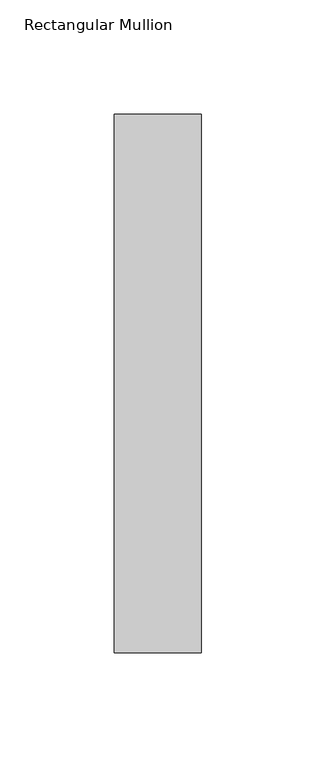
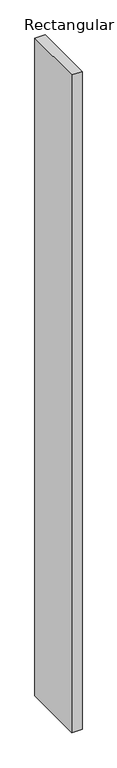
"""IFC4 building model written with IfcOpenShell, lengths in millimetres: member geometry, Rectangular Mullion."""

import ifcopenshell
import ifcopenshell.guid

model = None  # the IFC model being written
_history = None  # IfcOwnerHistory: only IFC2X3 demands one
_inside = {}  # id of a spatial element -> (the spatial element, [elements in it])
_under = {}  # id of a project, library or spatial element -> (it, [spatial elements below it])
_declared = {}  # id of a project -> (the project, [libraries it declares])
_typed = {}  # id of a type object -> (the type object, [elements of that type])
_made_of = {}  # id of a material, layer set ... -> (it, [elements and type objects made of it])


def new_model(schema):
    """Start an empty IFC model of exactly this schema.

    Asked for "IFC4X3", IfcOpenShell would pick the latest addendum, in which some entities
    have other attributes; the version numbers below select the first issue.
    IFC2X3 requires an IfcOwnerHistory on every rooted entity: one is made here for all.
    """
    global model, _history
    if schema == "IFC4X3":
        model = ifcopenshell.file(schema_version=(4, 3, 0, 0))
    else:
        model = ifcopenshell.file(schema=schema)
    _inside.clear()
    _under.clear()
    _declared.clear()
    _typed.clear()
    _made_of.clear()
    _history = None
    if model.schema == "IFC2X3":
        org = make("IfcOrganization", Name="unknown")
        user = make(
            "IfcPersonAndOrganization",
            ThePerson=make("IfcPerson", FamilyName="unknown"),
            TheOrganization=org,
        )
        app = make(
            "IfcApplication",
            ApplicationDeveloper=org,
            Version="unknown",
            ApplicationFullName="unknown",
            ApplicationIdentifier="unknown",
        )
        _history = make(
            "IfcOwnerHistory",
            OwningUser=user,
            OwningApplication=app,
            ChangeAction="ADDED",
            CreationDate=0,
        )
    return model


def make(cls, **values):
    """One entity of the class cls with the attributes given. An attribute that is None is left unset."""
    return model.create_entity(
        cls, **{name: value for name, value in values.items() if value is not None}
    )


def rooted(cls, **values):
    """An entity with a GlobalId (a new one), such as an element, a storey or a relation."""
    return make(cls, GlobalId=ifcopenshell.guid.new(), OwnerHistory=_history, **values)


def si_unit(unit_type, name, prefix=None):
    """IfcSIUnit, for example si_unit("LENGTHUNIT", "METRE", prefix="MILLI")."""
    return make("IfcSIUnit", UnitType=unit_type, Prefix=prefix, Name=name)


def assignment(units):
    """IfcUnitAssignment: the units of a project."""
    return None if units is None else make("IfcUnitAssignment", Units=units)


def point(xyz):
    """IfcCartesianPoint."""
    return None if xyz is None else make("IfcCartesianPoint", Coordinates=xyz)


def direction(xyz):
    """IfcDirection."""
    return None if xyz is None else make("IfcDirection", DirectionRatios=xyz)


def frame(location, z_axis=None, x_axis=None):
    """IfcAxis2Placement3D, a coordinate frame: its origin and axes. An axis left out is left unset."""
    return make(
        "IfcAxis2Placement3D",
        Location=point(location),
        Axis=direction(z_axis),
        RefDirection=direction(x_axis),
    )


def origin():
    """The frame at (0, 0, 0) with its axes left unset."""
    return frame((0.0, 0.0, 0.0))


def place(relative_to, where):
    """IfcLocalPlacement: puts the frame where relative to a parent placement (None: the world)."""
    return make(
        "IfcLocalPlacement", PlacementRelTo=relative_to, RelativePlacement=where
    )


def context(
    kind, dimensions, precision=None, world=None, true_north=None, identifier=None
):
    """IfcGeometricRepresentationContext, for example the 3D "Model" context."""
    return make(
        "IfcGeometricRepresentationContext",
        ContextIdentifier=identifier,
        ContextType=kind,
        CoordinateSpaceDimension=dimensions,
        Precision=precision,
        WorldCoordinateSystem=world,
        TrueNorth=true_north,
    )


def project(units=None, contexts=None):
    """IfcProject with its units and contexts."""
    return rooted(
        "IfcProject",
        Name="project",
        RepresentationContexts=contexts,
        UnitsInContext=assignment(units),
    )


def spatial(cls, under=None, at=None, **own):
    """A site, building, storey or space (cls), placed at a placement, below another one or the project."""
    s = rooted(cls, ObjectPlacement=at, **own)
    if under is not None:
        _under.setdefault(under.id(), (under, []))[1].append(s)
    return s


def polyline(points):
    """IfcPolyline through the points."""
    return make("IfcPolyline", Points=[point(p) for p in points])


def outline(outer, holes=None, kind="AREA"):
    """IfcArbitraryClosedProfileDef: a profile drawn as a closed curve; with holes, ...WithVoids."""
    if holes is None:
        return make("IfcArbitraryClosedProfileDef", ProfileType=kind, OuterCurve=outer)
    return make(
        "IfcArbitraryProfileDefWithVoids",
        ProfileType=kind,
        OuterCurve=outer,
        InnerCurves=holes,
    )


def extrude(swept, where, along, depth):
    """IfcExtrudedAreaSolid: the profile swept, set in the frame where, extruded along a direction by depth."""
    return make(
        "IfcExtrudedAreaSolid",
        SweptArea=swept,
        Position=where,
        ExtrudedDirection=direction(along),
        Depth=depth,
    )


def shape(context_of_items, identifier, shape_type, items):
    """IfcShapeRepresentation: the items that make up one representation, for example the "Body"."""
    return make(
        "IfcShapeRepresentation",
        ContextOfItems=context_of_items,
        RepresentationIdentifier=identifier,
        RepresentationType=shape_type,
        Items=items,
    )


def source(mapping_origin, context_of_items, identifier, shape_type, items):
    """IfcRepresentationMap: a shape defined once, which mapped items show again and again."""
    return make(
        "IfcRepresentationMap",
        MappingOrigin=mapping_origin,
        MappedRepresentation=shape(context_of_items, identifier, shape_type, items),
    )


def transform(
    local_origin,
    x_axis=None,
    y_axis=None,
    z_axis=None,
    scale=None,
    scale2=None,
    scale3=None,
    uniform=True,
):
    """IfcCartesianTransformationOperator3D, or its non-uniform kind. x_axis, y_axis, z_axis: its Axis1, 2, 3."""
    if uniform:
        return make(
            "IfcCartesianTransformationOperator3D",
            Axis1=direction(x_axis),
            Axis2=direction(y_axis),
            LocalOrigin=point(local_origin),
            Scale=scale,
            Axis3=direction(z_axis),
        )
    return make(
        "IfcCartesianTransformationOperator3DnonUniform",
        Axis1=direction(x_axis),
        Axis2=direction(y_axis),
        LocalOrigin=point(local_origin),
        Scale=scale,
        Axis3=direction(z_axis),
        Scale2=scale2,
        Scale3=scale3,
    )


def mapped(mapping_source, mapping_target):
    """IfcMappedItem: shows the shape of a source again, moved by a transform."""
    return make(
        "IfcMappedItem", MappingSource=mapping_source, MappingTarget=mapping_target
    )


def made_of(thing, what):
    """Note that an element or type object is made of a material, layer set ...; save() writes the relation."""
    if what is not None:
        _made_of.setdefault(what.id(), (what, []))[1].append(thing)
    return thing


def element(
    cls,
    number,
    at=None,
    inside=None,
    cuts=None,
    type_object=None,
    material=None,
    context=None,
    identifier="Body",
    shape_type=None,
    held_by="IfcProductDefinitionShape",
    body=None,
    shapes=None,
    **own,
):
    """One element of the class cls, such as IfcWall. Its Tag is "e" and its number.

    at: its placement. inside: the storey or other place that contains it. cuts: it is an
    opening in that element (IfcRelVoidsElement). A single representation is given by context,
    identifier, shape_type and body (its items); several are given by shapes. held_by: the class
    of the entity that holds the representations. save() writes the other relations.
    """
    e = rooted(cls, Tag="e%d" % number, ObjectPlacement=at, **own)
    if body is not None:
        shapes = [shape(context, identifier, shape_type, body)]
    if shapes is not None:
        e.Representation = make(held_by, Representations=shapes)
    if inside is not None:
        _inside.setdefault(inside.id(), (inside, []))[1].append(e)
    if cuts is not None:
        rooted(
            "IfcRelVoidsElement", RelatingBuildingElement=cuts, RelatedOpeningElement=e
        )
    if type_object is not None:
        _typed.setdefault(type_object.id(), (type_object, []))[1].append(e)
    return made_of(e, material)


def aggregate(whole, parts):
    """IfcRelAggregates: a whole, such as a stair, and the parts it consists of."""
    return rooted("IfcRelAggregates", RelatingObject=whole, RelatedObjects=parts)


def save(model, path):
    """Write the relations noted so far, then the file.

    IfcRelAggregates (storeys below a building ...), IfcRelContainedInSpatialStructure (elements
    in a storey), IfcRelDefinesByType, IfcRelAssociatesMaterial and IfcRelDeclares: one each for
    every whole, place, type object, material and project.
    """
    for whole, parts in _under.values():
        aggregate(whole, parts)
    for where, things in _inside.values():
        rooted(
            "IfcRelContainedInSpatialStructure",
            RelatedElements=things,
            RelatingStructure=where,
        )
    for kind, things in _typed.values():
        rooted("IfcRelDefinesByType", RelatedObjects=things, RelatingType=kind)
    for what, things in _made_of.values():
        rooted("IfcRelAssociatesMaterial", RelatedObjects=things, RelatingMaterial=what)
    for by, libraries in _declared.values():
        rooted("IfcRelDeclares", RelatingContext=by, RelatedDefinitions=libraries)
    model.write(path)


def rectangular_mullion_91f180ab(model_context):
    return source(origin(), model_context, "Body", "SweptSolid", [
        extrude(outline(polyline([(0.0, 0.0), (0.0, -235.0), (-38.0, -235.0), (-38.0, 0.0), (0.0, 0.0)])), frame((0.0, 0.0, -2562.0), z_axis=(0.0, 0.0, 1.0), x_axis=(1.0, 0.0, 0.0)), (0.0, 0.0, 1.0), 2562.0),
    ])


if __name__ == "__main__":
    model = new_model("IFC4")
    model_context = context("Model", 3, world=origin())
    ifc_project = project(units=[si_unit("LENGTHUNIT", "METRE", prefix="MILLI")], contexts=[model_context])
    site = spatial("IfcSite", under=ifc_project)
    building = spatial("IfcBuilding", under=site)
    placement = place(None, origin())
    rectangular_mullion_shape = rectangular_mullion_91f180ab(model_context)
    element("IfcMember", 1, ObjectType="Rectangular Mullion", at=placement, inside=building, context=model_context, shape_type="MappedRepresentation", body=[
        mapped(rectangular_mullion_shape, transform((0.0, 0.0, 0.0), x_axis=(1.0, 0.0, 0.0), y_axis=(0.0, 1.0, 0.0), z_axis=(0.0, 0.0, 1.0))),
    ])
    save(model, "model.ifc")
